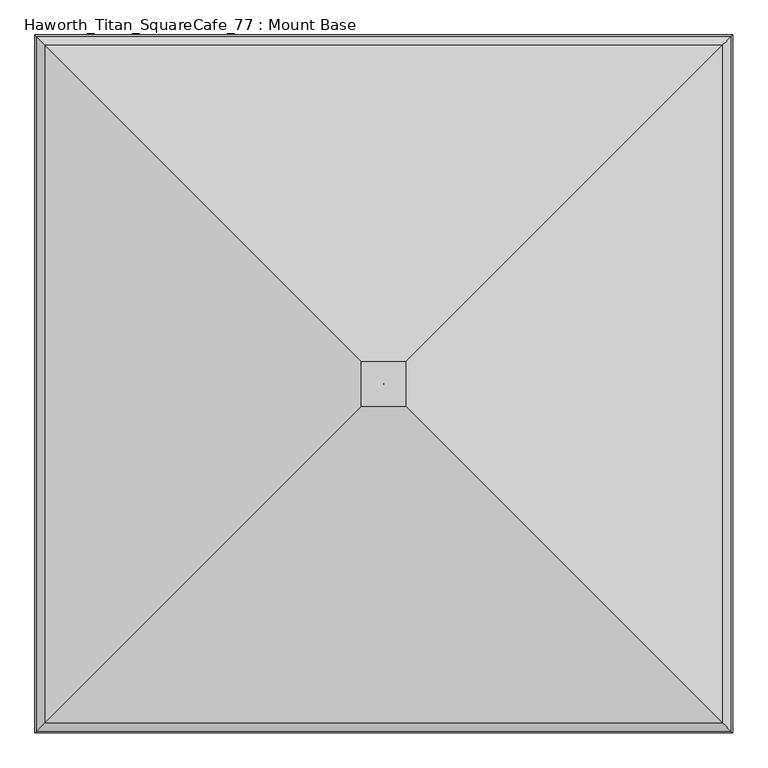
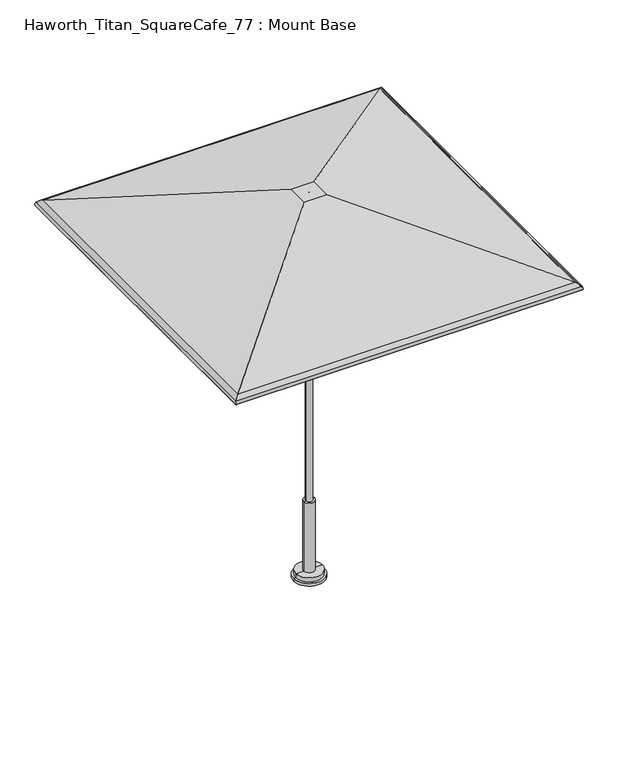
"""IFC4 building model written with IfcOpenShell, lengths in millimetres: furniture geometry, Haworth_Titan_SquareCafe_77 : Mount Base."""

from ifc_helpers import new_model, si_unit, frame, origin, place, context, project, spatial, polyline, circle_curve, ellipse_curve, source, transform, mapped, element, save
from ifc_brep_helpers import plane_surface, cylinder_surface, revolved_surface, advanced_brep


def haworth_titan_squarecafe_77_mount_base_5676a8a5(model_context):
    return source(origin(), model_context, "Body", "AdvancedBrep", [
        advanced_brep(
        [(-0.1191233, -3.7889421, 2332.2359375), (-0.1191233, -3.7889421, 2336.8), (0.1191233, -3.7889421, 2336.8), (0.1191233, -3.7889421, 2332.2359375), (-972.8203346, -976.4901535, 2032.8952419), (-63.8799222, -67.5497411, 2332.2359375), (63.8799222, -67.5497411, 2332.2359375), (972.8203346, -976.4901535, 2032.8952419), (-993.3252275, -996.9950464, 2015.7031479), (993.3252275, -996.9950464, 2015.7031479), (-995.3819432, -999.051762, 1999.8260507), (995.3819432, -999.051762, 1999.8260507), (-999.7734953, -1003.4433141, 1998.5830959), (999.7734953, -1003.4433141, 1998.5830959), (-997.255117, -1000.9249359, 2018.0240604), (997.255117, -1000.9249359, 2018.0240604), (-972.7319046, -976.4017234, 2037.7634079), (972.7319046, -976.4017234, 2037.7634079), (-64.7106433, -68.3804622, 2336.8), (64.7106433, -68.3804622, 2336.8), (0.1191233, -2.7851577, 2336.8), (0.1191233, -2.7851577, 2332.2359375), (63.8799222, 60.9756412, 2332.2359375), (972.8203346, 969.9160536, 2032.8952419), (993.3252275, 990.4209465, 2015.7031479), (995.3819432, 992.4776622, 1999.8260507), (999.7734953, 996.8692143, 1998.5830959), (997.255117, 994.350836, 2018.0240604), (972.7319046, 969.8276236, 2037.7634079), (64.7106433, 61.8063623, 2336.8), (-0.1191233, -2.7851577, 2336.8), (-0.1191233, -2.7851577, 2332.2359375), (-63.8799222, 60.9756412, 2332.2359375), (-972.8203346, 969.9160536, 2032.8952419), (-993.3252275, 990.4209465, 2015.7031479), (-995.3819432, 992.4776622, 1999.8260507), (-999.7734953, 996.8692143, 1998.5830959), (-997.255117, 994.350836, 2018.0240604), (-972.7319046, 969.8276236, 2037.7634079), (-64.7106433, 61.8063623, 2336.8)],
        [
            (0, 1),
            (1, 2),
            (2, 3),
            (3, 0),
            (4, 5),
            (5, 6),
            (6, 7),
            (7, 4),
            (8, 4, ellipse_curve(frame((-958.7402749, -962.4100938, 1995.2779812), z_axis=(-0.7071067811865475, 0.7071067811865475, 0.0), x_axis=(0.7071067811865476, 0.7071067811865474, 0.0)), 56.8032813, 40.1659854)),
            (7, 9, ellipse_curve(frame((958.7402749, -962.4100938, 1995.2779812), z_axis=(0.7071067811865475, 0.7071067811865475, 0.0), x_axis=(0.7071067811865476, -0.7071067811865474, 0.0)), 56.8032813, 40.1659854)),
            (9, 8),
            (10, 8, ellipse_curve(frame((-975.8174942, -979.4873131, 2005.3634382), z_axis=(-0.7071067811865475, 0.7071067811865475, 0.0), x_axis=(0.7071067811865476, 0.7071067811865474, 0.0)), 28.7551847, 20.3329861)),
            (9, 11, ellipse_curve(frame((975.8174942, -979.4873131, 2005.3634382), z_axis=(0.7071067811865475, 0.7071067811865475, 0.0), x_axis=(0.7071067811865476, -0.7071067811865474, 0.0)), 28.7551847, 20.3329861)),
            (11, 10),
            (12, 10, ellipse_curve(frame((-997.5777192, -1001.2475381, 1999.2045733), z_axis=(0.7071067811865475, -0.7071067811865475, 0.0), x_axis=(-0.7071067811865476, -0.7071067811865474, 0.0)), 3.2272795, 2.2820312)),
            (11, 13, ellipse_curve(frame((997.5777192, -1001.2475381, 1999.2045733), z_axis=(-0.7071067811865475, -0.7071067811865475, 0.0), x_axis=(-0.7071067811865476, 0.7071067811865474, 0.0)), 3.2272795, 2.2820312)),
            (13, 12),
            (14, 12, ellipse_curve(frame((-975.8174942, -979.4873131, 2005.3634382), z_axis=(0.7071067811865475, -0.7071067811865475, 0.0), x_axis=(-0.7071067811865476, -0.7071067811865474, 0.0)), 35.2097438, 24.8970486)),
            (13, 15, ellipse_curve(frame((975.8174942, -979.4873131, 2005.3634382), z_axis=(-0.7071067811865475, -0.7071067811865475, 0.0), x_axis=(-0.7071067811865476, 0.7071067811865474, 0.0)), 35.2097438, 24.8970486)),
            (15, 14),
            (16, 14, ellipse_curve(frame((-958.7402749, -962.4100938, 1995.2779812), z_axis=(0.7071067811865475, -0.7071067811865475, 0.0), x_axis=(-0.7071067811865476, -0.7071067811865474, 0.0)), 63.2578403, 44.7300479)),
            (15, 17, ellipse_curve(frame((958.7402749, -962.4100938, 1995.2779812), z_axis=(-0.7071067811865475, -0.7071067811865475, 0.0), x_axis=(-0.7071067811865476, 0.7071067811865474, 0.0)), 63.2578403, 44.7300479)),
            (17, 16),
            (18, 16),
            (17, 19),
            (19, 18),
            (2, 20),
            (20, 21),
            (21, 3),
            (6, 22),
            (22, 23),
            (23, 7),
            (23, 24, ellipse_curve(frame((958.7402749, 955.8359939, 1995.2779812), z_axis=(-0.7071067811865475, 0.7071067811865475, 0.0), x_axis=(0.7071067811865474, 0.7071067811865476, 0.0)), 56.8032813, 40.1659854)),
            (24, 9),
            (24, 25, ellipse_curve(frame((975.8174942, 972.9132132, 2005.3634382), z_axis=(-0.7071067811865475, 0.7071067811865475, 0.0), x_axis=(0.7071067811865474, 0.7071067811865476, 0.0)), 28.7551847, 20.3329861)),
            (25, 11),
            (25, 26, ellipse_curve(frame((997.5777192, 994.6734382, 1999.2045733), z_axis=(0.7071067811865475, -0.7071067811865475, 0.0), x_axis=(-0.7071067811865474, -0.7071067811865476, 0.0)), 3.2272795, 2.2820312)),
            (26, 13),
            (26, 27, ellipse_curve(frame((975.8174942, 972.9132132, 2005.3634382), z_axis=(0.7071067811865475, -0.7071067811865475, 0.0), x_axis=(-0.7071067811865474, -0.7071067811865476, 0.0)), 35.2097438, 24.8970486)),
            (27, 15),
            (27, 28, ellipse_curve(frame((958.7402749, 955.8359939, 1995.2779812), z_axis=(0.7071067811865475, -0.7071067811865475, 0.0), x_axis=(-0.7071067811865474, -0.7071067811865476, 0.0)), 63.2578403, 44.7300479)),
            (28, 17),
            (28, 29),
            (29, 19),
            (20, 30),
            (30, 31),
            (31, 21),
            (22, 32),
            (32, 33),
            (33, 23),
            (33, 34, ellipse_curve(frame((-958.7402749, 955.8359939, 1995.2779812), z_axis=(-0.7071067811865475, -0.7071067811865475, 0.0), x_axis=(-0.7071067811865476, 0.7071067811865474, 0.0)), 56.8032813, 40.1659854)),
            (34, 24),
            (34, 35, ellipse_curve(frame((-975.8174942, 972.9132132, 2005.3634382), z_axis=(-0.7071067811865475, -0.7071067811865475, 0.0), x_axis=(-0.7071067811865476, 0.7071067811865474, 0.0)), 28.7551847, 20.3329861)),
            (35, 25),
            (35, 36, ellipse_curve(frame((-997.5777192, 994.6734382, 1999.2045733), z_axis=(0.7071067811865475, 0.7071067811865475, 0.0), x_axis=(0.7071067811865476, -0.7071067811865474, 0.0)), 3.2272795, 2.2820312)),
            (36, 26),
            (36, 37, ellipse_curve(frame((-975.8174942, 972.9132132, 2005.3634382), z_axis=(0.7071067811865475, 0.7071067811865475, 0.0), x_axis=(0.7071067811865476, -0.7071067811865474, 0.0)), 35.2097438, 24.8970486)),
            (37, 27),
            (37, 38, ellipse_curve(frame((-958.7402749, 955.8359939, 1995.2779812), z_axis=(0.7071067811865475, 0.7071067811865475, 0.0), x_axis=(0.7071067811865476, -0.7071067811865474, 0.0)), 63.2578403, 44.7300479)),
            (38, 28),
            (38, 39),
            (39, 29),
            (39, 18),
            (1, 30),
            (0, 31),
            (5, 32),
            (4, 33),
            (8, 34),
            (10, 35),
            (12, 36),
            (14, 37),
            (16, 38),
        ],
        [
            plane_surface(frame((-0.1191233, -3.7889421, 2336.8), z_axis=(0.0, 1.0, 0.0), x_axis=(1.0, 0.0, 0.0))),
            plane_surface(frame((-63.8799222, -67.5497411, 2332.2359375), z_axis=(0.0, 0.3128029016514654, -0.9498180587451598), x_axis=(1.0, 0.0, 0.0))),
            revolved_surface(polyline([(998.9062603008771, -922.2441084000001, 1995.2779812), (-998.9062603008771, -922.2441084000001, 1995.2779812)]), (-1013.0581334, -962.4100938, 1995.2779812), (1.0, 0.0, 0.0)),
            revolved_surface(polyline([(996.1504802956416, -959.1543270000001, 2005.3634382), (-996.1504802956417, -959.1543270000001, 2005.3634382)]), (-1013.0581334, -979.4873131, 2005.3634382), (1.0, 0.0, 0.0)),
            cylinder_surface(frame((-1013.0581334, -1001.2475381, 1999.2045733), z_axis=(-1.0, 0.0, 0.0), x_axis=(0.0, 1.0, 0.0)), 2.2820312),
            cylinder_surface(frame((-1013.0581334, -979.4873131, 2005.3634382), z_axis=(-1.0, 0.0, 0.0), x_axis=(0.0, 1.0, 0.0)), 24.8970486),
            cylinder_surface(frame((-1013.0581334, -962.4100938, 1995.2779812), z_axis=(-1.0, 0.0, 0.0), x_axis=(0.0, 1.0, 0.0)), 44.7300479),
            plane_surface(frame((-972.7319046, -976.4017234, 2037.7634079), z_axis=(0.0, -0.3128015803524927, 0.9498184938865862), x_axis=(1.0, 0.0, 0.0))),
            plane_surface(frame((0.1191233, -3.7889421, 2336.8), z_axis=(-1.0, 0.0, 0.0), x_axis=(0.0, 1.0, 0.0))),
            plane_surface(frame((63.8799222, -67.5497411, 2332.2359375), z_axis=(-0.31280290165146846, 0.0, -0.9498180587451588), x_axis=(0.0, 1.0, 0.0))),
            revolved_surface(polyline([(918.5742895000001, 996.0019793008769, 1995.2779812), (918.5742895000001, -1002.5760792008771, 1995.2779812)]), (958.7402749, -1016.7279523, 1995.2779812), (0.0, 1.0, 0.0)),
            revolved_surface(polyline([(955.4845081000001, 993.2461992956416, 2005.3634382), (955.4845081000001, -999.8202991956417, 2005.3634382)]), (975.8174942, -1016.7279523, 2005.3634382), (0.0, 1.0, 0.0)),
            cylinder_surface(frame((997.5777192, -1016.7279523, 1999.2045733), z_axis=(0.0, -1.0, 0.0), x_axis=(-1.0, 0.0, 0.0)), 2.2820312),
            cylinder_surface(frame((975.8174942, -1016.7279523, 2005.3634382), z_axis=(0.0, -1.0, 0.0), x_axis=(-1.0, 0.0, 0.0)), 24.8970486),
            cylinder_surface(frame((958.7402749, -1016.7279523, 1995.2779812), z_axis=(0.0, -1.0, 0.0), x_axis=(-1.0, 0.0, 0.0)), 44.7300479),
            plane_surface(frame((972.7319046, -976.4017234, 2037.7634079), z_axis=(0.3128015803524958, 0.0, 0.9498184938865852), x_axis=(0.0, 1.0, 0.0))),
            plane_surface(frame((0.1191233, -2.7851577, 2336.8), z_axis=(0.0, -1.0, 0.0), x_axis=(-1.0, 0.0, 0.0))),
            plane_surface(frame((63.8799222, 60.9756412, 2332.2359375), z_axis=(0.0, -0.3128029016514654, -0.9498180587451598), x_axis=(-1.0, 0.0, 0.0))),
            revolved_surface(polyline([(-998.9062603008771, 915.6700085, 1995.2779812), (998.9062603008771, 915.6700085, 1995.2779812)]), (1013.0581334, 955.8359939, 1995.2779812), (-1.0, 0.0, 0.0)),
            revolved_surface(polyline([(-996.1504802956416, 952.5802271, 2005.3634382), (996.1504802956417, 952.5802271, 2005.3634382)]), (1013.0581334, 972.9132132, 2005.3634382), (-1.0, 0.0, 0.0)),
            cylinder_surface(frame((1013.0581334, 994.6734382, 1999.2045733), z_axis=(1.0, 0.0, 0.0), x_axis=(0.0, -1.0, 0.0)), 2.2820312),
            cylinder_surface(frame((1013.0581334, 972.9132132, 2005.3634382), z_axis=(1.0, 0.0, 0.0), x_axis=(0.0, -1.0, 0.0)), 24.8970486),
            cylinder_surface(frame((1013.0581334, 955.8359939, 1995.2779812), z_axis=(1.0, 0.0, 0.0), x_axis=(0.0, -1.0, 0.0)), 44.7300479),
            plane_surface(frame((972.7319046, 969.8276236, 2037.7634079), z_axis=(0.0, 0.3128015803524927, 0.9498184938865862), x_axis=(-1.0, 0.0, 0.0))),
            plane_surface(frame((-64.7106433, 61.8063623, 2336.8), z_axis=(0.0, 0.0, 1.0), x_axis=(0.0, -1.0, 0.0))),
            plane_surface(frame((-0.1191233, -2.7851577, 2336.8), z_axis=(1.0, 0.0, 0.0), x_axis=(0.0, -1.0, 0.0))),
            plane_surface(frame((-0.1191233, -2.7851577, 2332.2359375), z_axis=(0.0, 0.0, -1.0), x_axis=(0.0, -1.0, 0.0))),
            plane_surface(frame((-63.8799222, 60.9756412, 2332.2359375), z_axis=(0.31280290165146235, 0.0, -0.9498180587451608), x_axis=(0.0, -1.0, 0.0))),
            revolved_surface(polyline([(-918.5742895000001, -1002.5760792008768, 1995.2779812), (-918.5742895000001, 996.001979300877, 1995.2779812)]), (-958.7402749, 1010.1538524, 1995.2779812), (0.0, -1.0, 0.0)),
            revolved_surface(polyline([(-955.4845081000001, -999.8202991956418, 2005.3634382), (-955.4845081000001, 993.2461992956416, 2005.3634382)]), (-975.8174942, 1010.1538524, 2005.3634382), (0.0, -1.0, 0.0)),
            cylinder_surface(frame((-997.5777192, 1010.1538524, 1999.2045733), z_axis=(0.0, 1.0, 0.0), x_axis=(1.0, 0.0, 0.0)), 2.2820312),
            cylinder_surface(frame((-975.8174942, 1010.1538524, 2005.3634382), z_axis=(0.0, 1.0, 0.0), x_axis=(1.0, 0.0, 0.0)), 24.8970486),
            cylinder_surface(frame((-958.7402749, 1010.1538524, 1995.2779812), z_axis=(0.0, 1.0, 0.0), x_axis=(1.0, 0.0, 0.0)), 44.7300479),
            plane_surface(frame((-972.7319046, 969.8276236, 2037.7634079), z_axis=(-0.31280158035248967, 0.0, 0.9498184938865872), x_axis=(0.0, -1.0, 0.0))),
        ],
        [
            (0, [[1, 2, 3, 4]]),
            (1, [[5, 6, 7, 8]]),
            (2, [[9, -8, 10, 11]]),
            (3, [[12, -11, 13, 14]]),
            (4, [[15, -14, 16, 17]]),
            (5, [[18, -17, 19, 20]]),
            (6, [[21, -20, 22, 23]]),
            (7, [[24, -23, 25, 26]]),
            (8, [[-3, 27, 28, 29]]),
            (9, [[-7, 30, 31, 32]]),
            (10, [[-10, -32, 33, 34]]),
            (11, [[-13, -34, 35, 36]]),
            (12, [[-16, -36, 37, 38]]),
            (13, [[-19, -38, 39, 40]]),
            (14, [[-22, -40, 41, 42]]),
            (15, [[-25, -42, 43, 44]]),
            (16, [[-28, 45, 46, 47]]),
            (17, [[-31, 48, 49, 50]]),
            (18, [[-33, -50, 51, 52]]),
            (19, [[-35, -52, 53, 54]]),
            (20, [[-37, -54, 55, 56]]),
            (21, [[-39, -56, 57, 58]]),
            (22, [[-41, -58, 59, 60]]),
            (23, [[-43, -60, 61, 62]]),
            (24, [[-44, -62, 63, -26], [64, -45, -27, -2]]),
            (25, [[-46, -64, -1, 65]]),
            (26, [[66, -48, -30, -6], [-29, -47, -65, -4]]),
            (27, [[-49, -66, -5, 67]]),
            (28, [[-51, -67, -9, 68]]),
            (29, [[-53, -68, -12, 69]]),
            (30, [[-55, -69, -15, 70]]),
            (31, [[-57, -70, -18, 71]]),
            (32, [[-59, -71, -21, 72]]),
            (33, [[-61, -72, -24, -63]]),
        ],
    ),
        advanced_brep(
        [(-88.9, -4.0299408, 15.8750008), (88.9, -4.0299408, 15.8750008), (88.9, -4.0299408, 0.0), (-88.9, -4.0299408, 0.0), (-76.2, -4.0299408, 15.8750008), (76.2, -4.0299408, 15.8750008), (-76.2, -4.0299408, 41.2750008), (76.2, -4.0299408, 41.2750008), (0.0, -4.0299408, 41.2750008), (0.0, -4.0299408, 0.0)],
        [
            (0, 1, circle_curve(frame((0.0, -4.0299408, 15.8750008), z_axis=(0.0, 0.0, -1.0), x_axis=(1.0, 0.0, 0.0)), 88.9)),
            (1, 2),
            (2, 3, circle_curve(frame((0.0, -4.0299408, 0.0), z_axis=(0.0, 0.0, 1.0), x_axis=(1.0, 0.0, 0.0)), 88.9)),
            (3, 0),
            (1, 0, circle_curve(frame((0.0, -4.0299408, 15.8750008), z_axis=(0.0, 0.0, -1.0), x_axis=(1.0, 0.0, 0.0)), 88.9)),
            (3, 2, circle_curve(frame((0.0, -4.0299408, 0.0), z_axis=(0.0, 0.0, 1.0), x_axis=(1.0, 0.0, 0.0)), 88.9)),
            (4, 5, circle_curve(frame((0.0, -4.0299408, 15.8750008), z_axis=(0.0, 0.0, -1.0), x_axis=(1.0, 0.0, 0.0)), 76.2)),
            (5, 1),
            (0, 4),
            (5, 4, circle_curve(frame((0.0, -4.0299408, 15.8750008), z_axis=(0.0, 0.0, -1.0), x_axis=(1.0, 0.0, 0.0)), 76.2)),
            (6, 7, circle_curve(frame((0.0, -4.0299408, 41.2750008), z_axis=(0.0, 0.0, -1.0), x_axis=(1.0, 0.0, 0.0)), 76.2)),
            (7, 5),
            (4, 6),
            (7, 6, circle_curve(frame((0.0, -4.0299408, 41.2750008), z_axis=(0.0, 0.0, -1.0), x_axis=(1.0, 0.0, 0.0)), 76.2)),
            (8, 7),
            (6, 8),
            (2, 9),
            (9, 3),
        ],
        [
            cylinder_surface(frame((0.0, -4.0299408, 161.9250008), z_axis=(0.0, 0.0, 1.0), x_axis=(1.0, 0.0, 0.0)), 88.9),
            plane_surface(frame((0.0, -4.0299408, 15.8750008), z_axis=(0.0, 0.0, 1.0), x_axis=(1.0, 0.0, 0.0))),
            cylinder_surface(frame((0.0, -4.0299408, 161.9250008), z_axis=(0.0, 0.0, 1.0), x_axis=(1.0, 0.0, 0.0)), 76.2),
            plane_surface(frame((0.0, -4.0299408, 41.2750008), z_axis=(0.0, 0.0, 1.0), x_axis=(1.0, 0.0, 0.0))),
            plane_surface(frame((0.0, -4.0299408, 0.0), z_axis=(0.0, 0.0, -1.0), x_axis=(1.0, 0.0, 0.0))),
        ],
        [
            (0, [[1, 2, 3, 4]]),
            (0, [[5, -4, 6, -2]]),
            (1, [[7, 8, -1, 9]]),
            (1, [[10, -9, -5, -8]]),
            (2, [[11, 12, -7, 13]]),
            (2, [[14, -13, -10, -12]]),
            (3, [[15, -11, 16]]),
            (3, [[-16, -14, -15]]),
            (4, [[-3, 17, 18]]),
            (4, [[-6, -18, -17]]),
        ],
    ),
        advanced_brep(
        [(-19.05, -4.0299408, 463.5500121), (19.05, -4.0299408, 463.5500121), (31.7499992, -4.0299408, 463.5500121), (-31.7499992, -4.0299408, 463.5500121), (-19.05, -4.0299408, 1771.5507813), (19.05, -4.0299408, 1771.5507813), (0.0, -4.0299408, 1771.5507813), (-31.7499992, -4.0299408, 25.4), (31.7499992, -4.0299408, 25.4), (0.0, -4.0299408, 25.4)],
        [
            (0, 1, circle_curve(frame((0.0, -4.0299408, 463.5500121), z_axis=(0.0, 0.0, -1.0), x_axis=(1.0, 0.0, 0.0)), 19.05)),
            (1, 2),
            (2, 3, circle_curve(frame((0.0, -4.0299408, 463.5500121), z_axis=(0.0, 0.0, 1.0), x_axis=(1.0, 0.0, 0.0)), 31.7499992)),
            (3, 0),
            (1, 0, circle_curve(frame((0.0, -4.0299408, 463.5500121), z_axis=(0.0, 0.0, -1.0), x_axis=(1.0, 0.0, 0.0)), 19.05)),
            (3, 2, circle_curve(frame((0.0, -4.0299408, 463.5500121), z_axis=(0.0, 0.0, 1.0), x_axis=(1.0, 0.0, 0.0)), 31.7499992)),
            (4, 5, circle_curve(frame((0.0, -4.0299408, 1771.5507813), z_axis=(0.0, 0.0, -1.0), x_axis=(1.0, 0.0, 0.0)), 19.05)),
            (5, 1),
            (0, 4),
            (5, 4, circle_curve(frame((0.0, -4.0299408, 1771.5507813), z_axis=(0.0, 0.0, -1.0), x_axis=(1.0, 0.0, 0.0)), 19.05)),
            (6, 5),
            (4, 6),
            (7, 8, circle_curve(frame((0.0, -4.0299408, 25.4), z_axis=(0.0, 0.0, -1.0), x_axis=(1.0, 0.0, 0.0)), 31.7499992)),
            (8, 9),
            (9, 7),
            (8, 7, circle_curve(frame((0.0, -4.0299408, 25.4), z_axis=(0.0, 0.0, -1.0), x_axis=(1.0, 0.0, 0.0)), 31.7499992)),
            (2, 8),
            (7, 3),
        ],
        [
            plane_surface(frame((0.0, -4.0299408, 463.5500121), z_axis=(0.0, 0.0, 1.0), x_axis=(1.0, 0.0, 0.0))),
            cylinder_surface(frame((0.0, -4.0299408, 2635.1507813), z_axis=(0.0, 0.0, 1.0), x_axis=(1.0, 0.0, 0.0)), 19.05),
            plane_surface(frame((0.0, -4.0299408, 1771.5507813), z_axis=(0.0, 0.0, 1.0), x_axis=(1.0, 0.0, 0.0))),
            plane_surface(frame((0.0, -4.0299408, 25.4), z_axis=(0.0, 0.0, -1.0), x_axis=(1.0, 0.0, 0.0))),
            cylinder_surface(frame((0.0, -4.0299408, 2635.1507813), z_axis=(0.0, 0.0, 1.0), x_axis=(1.0, 0.0, 0.0)), 31.7499992),
        ],
        [
            (0, [[1, 2, 3, 4]]),
            (0, [[5, -4, 6, -2]]),
            (1, [[7, 8, -1, 9]]),
            (1, [[10, -9, -5, -8]]),
            (2, [[11, -7, 12]]),
            (2, [[-12, -10, -11]]),
            (3, [[13, 14, 15]]),
            (3, [[16, -15, -14]]),
            (4, [[-3, 17, -13, 18]]),
            (4, [[-6, -18, -16, -17]]),
        ],
    ),
    ])


if __name__ == "__main__":
    model = new_model("IFC4")
    model_context = context("Model", 3, world=origin())
    ifc_project = project(units=[si_unit("LENGTHUNIT", "METRE", prefix="MILLI")], contexts=[model_context])
    site = spatial("IfcSite", under=ifc_project)
    building = spatial("IfcBuilding", under=site)
    placement = place(None, origin())
    haworth_titan_squarecafe_77_mount_base_shape = haworth_titan_squarecafe_77_mount_base_5676a8a5(model_context)
    element("IfcFurniture", 1, ObjectType="Haworth_Titan_SquareCafe_77 : Mount Base", at=placement, inside=building, context=model_context, shape_type="MappedRepresentation", body=[
        mapped(haworth_titan_squarecafe_77_mount_base_shape, transform((0.0, 0.0, 0.0), x_axis=(1.0, 0.0, 0.0), y_axis=(0.0, 1.0, 0.0), z_axis=(0.0, 0.0, 1.0))),
    ])
    save(model, "model.ifc")
